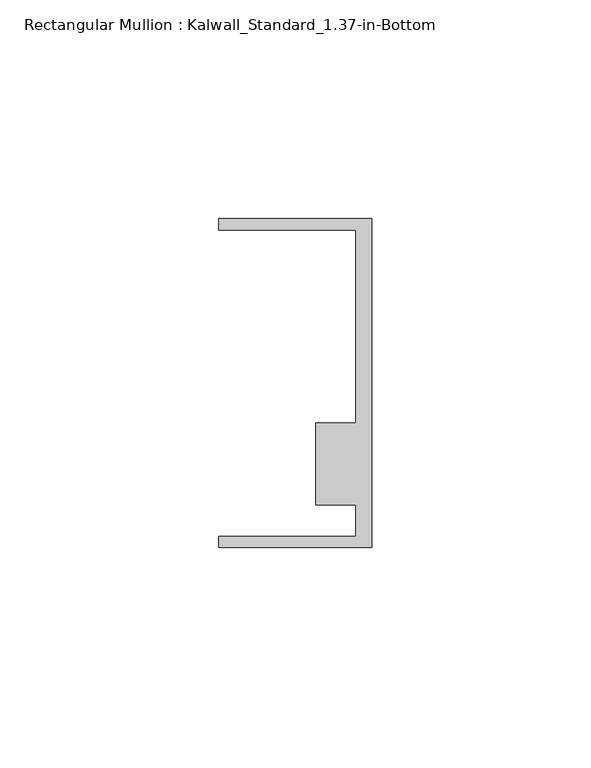
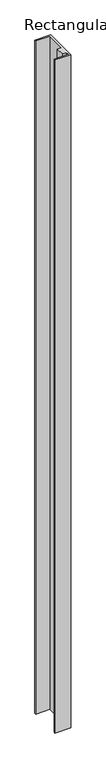
"""IFC4 building model written with IfcOpenShell, lengths in millimetres: member geometry, Rectangular Mullion : Kalwall_Standard_1.37-in-Bottom."""

import ifcopenshell
import ifcopenshell.guid

model = None  # the IFC model being written
_history = None  # IfcOwnerHistory: only IFC2X3 demands one
_inside = {}  # id of a spatial element -> (the spatial element, [elements in it])
_under = {}  # id of a project, library or spatial element -> (it, [spatial elements below it])
_declared = {}  # id of a project -> (the project, [libraries it declares])
_typed = {}  # id of a type object -> (the type object, [elements of that type])
_made_of = {}  # id of a material, layer set ... -> (it, [elements and type objects made of it])


def new_model(schema):
    """Start an empty IFC model of exactly this schema.

    Asked for "IFC4X3", IfcOpenShell would pick the latest addendum, in which some entities
    have other attributes; the version numbers below select the first issue.
    IFC2X3 requires an IfcOwnerHistory on every rooted entity: one is made here for all.
    """
    global model, _history
    if schema == "IFC4X3":
        model = ifcopenshell.file(schema_version=(4, 3, 0, 0))
    else:
        model = ifcopenshell.file(schema=schema)
    _inside.clear()
    _under.clear()
    _declared.clear()
    _typed.clear()
    _made_of.clear()
    _history = None
    if model.schema == "IFC2X3":
        org = make("IfcOrganization", Name="unknown")
        user = make(
            "IfcPersonAndOrganization",
            ThePerson=make("IfcPerson", FamilyName="unknown"),
            TheOrganization=org,
        )
        app = make(
            "IfcApplication",
            ApplicationDeveloper=org,
            Version="unknown",
            ApplicationFullName="unknown",
            ApplicationIdentifier="unknown",
        )
        _history = make(
            "IfcOwnerHistory",
            OwningUser=user,
            OwningApplication=app,
            ChangeAction="ADDED",
            CreationDate=0,
        )
    return model


def make(cls, **values):
    """One entity of the class cls with the attributes given. An attribute that is None is left unset."""
    return model.create_entity(
        cls, **{name: value for name, value in values.items() if value is not None}
    )


def rooted(cls, **values):
    """An entity with a GlobalId (a new one), such as an element, a storey or a relation."""
    return make(cls, GlobalId=ifcopenshell.guid.new(), OwnerHistory=_history, **values)


def si_unit(unit_type, name, prefix=None):
    """IfcSIUnit, for example si_unit("LENGTHUNIT", "METRE", prefix="MILLI")."""
    return make("IfcSIUnit", UnitType=unit_type, Prefix=prefix, Name=name)


def assignment(units):
    """IfcUnitAssignment: the units of a project."""
    return None if units is None else make("IfcUnitAssignment", Units=units)


def point(xyz):
    """IfcCartesianPoint."""
    return None if xyz is None else make("IfcCartesianPoint", Coordinates=xyz)


def direction(xyz):
    """IfcDirection."""
    return None if xyz is None else make("IfcDirection", DirectionRatios=xyz)


def frame(location, z_axis=None, x_axis=None):
    """IfcAxis2Placement3D, a coordinate frame: its origin and axes. An axis left out is left unset."""
    return make(
        "IfcAxis2Placement3D",
        Location=point(location),
        Axis=direction(z_axis),
        RefDirection=direction(x_axis),
    )


def origin():
    """The frame at (0, 0, 0) with its axes left unset."""
    return frame((0.0, 0.0, 0.0))


def place(relative_to, where):
    """IfcLocalPlacement: puts the frame where relative to a parent placement (None: the world)."""
    return make(
        "IfcLocalPlacement", PlacementRelTo=relative_to, RelativePlacement=where
    )


def context(
    kind, dimensions, precision=None, world=None, true_north=None, identifier=None
):
    """IfcGeometricRepresentationContext, for example the 3D "Model" context."""
    return make(
        "IfcGeometricRepresentationContext",
        ContextIdentifier=identifier,
        ContextType=kind,
        CoordinateSpaceDimension=dimensions,
        Precision=precision,
        WorldCoordinateSystem=world,
        TrueNorth=true_north,
    )


def project(units=None, contexts=None):
    """IfcProject with its units and contexts."""
    return rooted(
        "IfcProject",
        Name="project",
        RepresentationContexts=contexts,
        UnitsInContext=assignment(units),
    )


def spatial(cls, under=None, at=None, **own):
    """A site, building, storey or space (cls), placed at a placement, below another one or the project."""
    s = rooted(cls, ObjectPlacement=at, **own)
    if under is not None:
        _under.setdefault(under.id(), (under, []))[1].append(s)
    return s


def polyline(points):
    """IfcPolyline through the points."""
    return make("IfcPolyline", Points=[point(p) for p in points])


def outline(outer, holes=None, kind="AREA"):
    """IfcArbitraryClosedProfileDef: a profile drawn as a closed curve; with holes, ...WithVoids."""
    if holes is None:
        return make("IfcArbitraryClosedProfileDef", ProfileType=kind, OuterCurve=outer)
    return make(
        "IfcArbitraryProfileDefWithVoids",
        ProfileType=kind,
        OuterCurve=outer,
        InnerCurves=holes,
    )


def extrude(swept, where, along, depth):
    """IfcExtrudedAreaSolid: the profile swept, set in the frame where, extruded along a direction by depth."""
    return make(
        "IfcExtrudedAreaSolid",
        SweptArea=swept,
        Position=where,
        ExtrudedDirection=direction(along),
        Depth=depth,
    )


def shape(context_of_items, identifier, shape_type, items):
    """IfcShapeRepresentation: the items that make up one representation, for example the "Body"."""
    return make(
        "IfcShapeRepresentation",
        ContextOfItems=context_of_items,
        RepresentationIdentifier=identifier,
        RepresentationType=shape_type,
        Items=items,
    )


def source(mapping_origin, context_of_items, identifier, shape_type, items):
    """IfcRepresentationMap: a shape defined once, which mapped items show again and again."""
    return make(
        "IfcRepresentationMap",
        MappingOrigin=mapping_origin,
        MappedRepresentation=shape(context_of_items, identifier, shape_type, items),
    )


def transform(
    local_origin,
    x_axis=None,
    y_axis=None,
    z_axis=None,
    scale=None,
    scale2=None,
    scale3=None,
    uniform=True,
):
    """IfcCartesianTransformationOperator3D, or its non-uniform kind. x_axis, y_axis, z_axis: its Axis1, 2, 3."""
    if uniform:
        return make(
            "IfcCartesianTransformationOperator3D",
            Axis1=direction(x_axis),
            Axis2=direction(y_axis),
            LocalOrigin=point(local_origin),
            Scale=scale,
            Axis3=direction(z_axis),
        )
    return make(
        "IfcCartesianTransformationOperator3DnonUniform",
        Axis1=direction(x_axis),
        Axis2=direction(y_axis),
        LocalOrigin=point(local_origin),
        Scale=scale,
        Axis3=direction(z_axis),
        Scale2=scale2,
        Scale3=scale3,
    )


def mapped(mapping_source, mapping_target):
    """IfcMappedItem: shows the shape of a source again, moved by a transform."""
    return make(
        "IfcMappedItem", MappingSource=mapping_source, MappingTarget=mapping_target
    )


def made_of(thing, what):
    """Note that an element or type object is made of a material, layer set ...; save() writes the relation."""
    if what is not None:
        _made_of.setdefault(what.id(), (what, []))[1].append(thing)
    return thing


def element(
    cls,
    number,
    at=None,
    inside=None,
    cuts=None,
    type_object=None,
    material=None,
    context=None,
    identifier="Body",
    shape_type=None,
    held_by="IfcProductDefinitionShape",
    body=None,
    shapes=None,
    **own,
):
    """One element of the class cls, such as IfcWall. Its Tag is "e" and its number.

    at: its placement. inside: the storey or other place that contains it. cuts: it is an
    opening in that element (IfcRelVoidsElement). A single representation is given by context,
    identifier, shape_type and body (its items); several are given by shapes. held_by: the class
    of the entity that holds the representations. save() writes the other relations.
    """
    e = rooted(cls, Tag="e%d" % number, ObjectPlacement=at, **own)
    if body is not None:
        shapes = [shape(context, identifier, shape_type, body)]
    if shapes is not None:
        e.Representation = make(held_by, Representations=shapes)
    if inside is not None:
        _inside.setdefault(inside.id(), (inside, []))[1].append(e)
    if cuts is not None:
        rooted(
            "IfcRelVoidsElement", RelatingBuildingElement=cuts, RelatedOpeningElement=e
        )
    if type_object is not None:
        _typed.setdefault(type_object.id(), (type_object, []))[1].append(e)
    return made_of(e, material)


def aggregate(whole, parts):
    """IfcRelAggregates: a whole, such as a stair, and the parts it consists of."""
    return rooted("IfcRelAggregates", RelatingObject=whole, RelatedObjects=parts)


def save(model, path):
    """Write the relations noted so far, then the file.

    IfcRelAggregates (storeys below a building ...), IfcRelContainedInSpatialStructure (elements
    in a storey), IfcRelDefinesByType, IfcRelAssociatesMaterial and IfcRelDeclares: one each for
    every whole, place, type object, material and project.
    """
    for whole, parts in _under.values():
        aggregate(whole, parts)
    for where, things in _inside.values():
        rooted(
            "IfcRelContainedInSpatialStructure",
            RelatedElements=things,
            RelatingStructure=where,
        )
    for kind, things in _typed.values():
        rooted("IfcRelDefinesByType", RelatedObjects=things, RelatingType=kind)
    for what, things in _made_of.values():
        rooted("IfcRelAssociatesMaterial", RelatedObjects=things, RelatingMaterial=what)
    for by, libraries in _declared.values():
        rooted("IfcRelDeclares", RelatingContext=by, RelatedDefinitions=libraries)
    model.write(path)


def rectangular_mullion_kalwall_standard_1_37_in_bottom_85d3eb0a(model_context):
    return source(origin(), model_context, "Body", "SweptSolid", [
        extrude(outline(polyline([(0.0, -37.5776386), (-34.925, -37.5776386), (-34.925, -35.0376386), (-3.7084, -35.0376386), (-3.7084, -27.8888568), (-12.8272539, -27.8888568), (-12.8272539, -9.1879886), (-3.7084, -9.1879886), (-3.7084, 34.9623614), (-34.925, 34.9623614), (-34.925, 37.5023614), (0.0, 37.5023614), (0.0, -37.5776386)])), frame((0.0, 0.0, -1560.5492191), z_axis=(0.0, 0.0, 1.0), x_axis=(1.0, 0.0, 0.0)), (0.0, 0.0, 1.0), 1560.5492191),
    ])


if __name__ == "__main__":
    model = new_model("IFC4")
    model_context = context("Model", 3, world=origin())
    ifc_project = project(units=[si_unit("LENGTHUNIT", "METRE", prefix="MILLI")], contexts=[model_context])
    site = spatial("IfcSite", under=ifc_project)
    building = spatial("IfcBuilding", under=site)
    placement = place(None, origin())
    rectangular_mullion_kalwall_standard_1_37_in_bottom_shape = rectangular_mullion_kalwall_standard_1_37_in_bottom_85d3eb0a(model_context)
    element("IfcMember", 1, ObjectType="Rectangular Mullion : Kalwall_Standard_1.37-in-Bottom", at=placement, inside=building, context=model_context, shape_type="MappedRepresentation", body=[
        mapped(rectangular_mullion_kalwall_standard_1_37_in_bottom_shape, transform((0.0, 0.0, 0.0), x_axis=(1.0, 0.0, 0.0), y_axis=(0.0, 1.0, 0.0), z_axis=(0.0, 0.0, 1.0))),
    ])
    save(model, "model.ifc")
